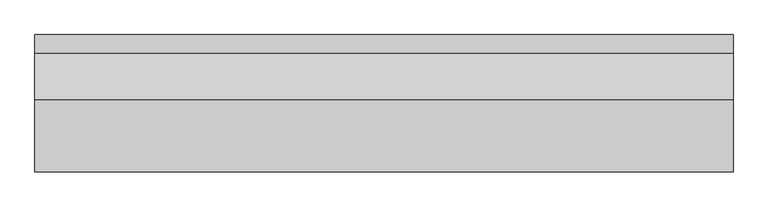
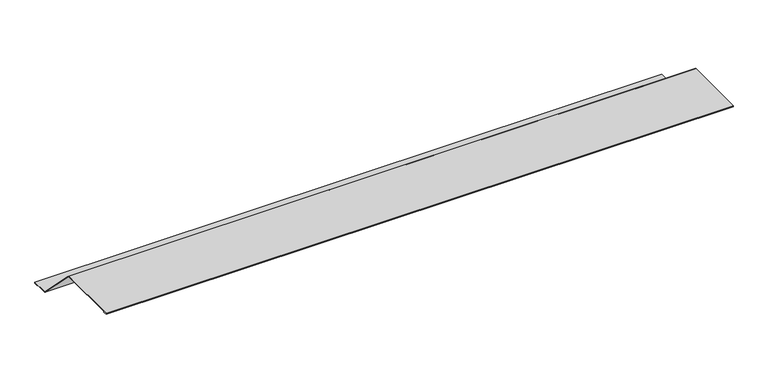
"""IFC4 building model written with IfcOpenShell, lengths in millimetres: proxy geometry."""

from ifc_helpers import new_model, si_unit, origin, place, context, project, spatial, faceted_brep, source, transform, mapped, element, save


def generic_models_e7852b16(model_context):
    return source(origin(), model_context, "Body", "Brep", [
        faceted_brep([(0.0, 80.0, 0.0), (0.0, 78.5857864, 0.0), (0.0, 74.5857864, 4.0), (0.0, -79.0, 4.0), (0.0, -79.0, 3.0), (0.0, -70.0, 3.0), (0.0, -70.0, 2.0), (0.0, -80.0, 2.0), (0.0, -80.0, 5.0), (0.0, 75.0, 5.0), (0.0, 175.0, -95.0), (0.0, 215.0, -95.0), (0.0, 215.0, -98.0), (0.0, 205.0, -98.0), (0.0, 205.0, -97.0), (0.0, 214.0, -97.0), (0.0, 214.0, -96.0), (0.0, 174.5857864, -96.0), (1500.0, 78.5857864, 0.0), (1500.0, 80.0, 0.0), (1500.0, 75.0, 5.0), (1500.0, -80.0, 5.0), (1500.0, -80.0, 2.0), (1500.0, -70.0, 2.0), (1500.0, -70.0, 3.0), (1500.0, -79.0, 3.0), (1500.0, -79.0, 4.0), (1500.0, 74.5857864, 4.0), (1500.0, 174.5857864, -96.0), (1500.0, 214.0, -96.0), (1500.0, 214.0, -97.0), (1500.0, 205.0, -97.0), (1500.0, 205.0, -98.0), (1500.0, 215.0, -98.0), (1500.0, 215.0, -95.0), (1500.0, 175.0, -95.0)], [[[0, 1, 2, 3, 4, 5, 6, 7, 8, 9]], [[1, 0, 10, 11, 12, 13, 14, 15, 16, 17]], [[18, 19, 20, 21, 22, 23, 24, 25, 26, 27]], [[19, 18, 28, 29, 30, 31, 32, 33, 34, 35]], [[9, 8, 21, 20]], [[0, 9, 20, 19, 35, 10]], [[11, 10, 35, 34]], [[12, 11, 34, 33]], [[13, 12, 33, 32]], [[14, 13, 32, 31]], [[15, 14, 31, 30]], [[16, 15, 30, 29]], [[17, 16, 29, 28]], [[2, 1, 17, 28, 18, 27]], [[3, 2, 27, 26]], [[4, 3, 26, 25]], [[5, 4, 25, 24]], [[6, 5, 24, 23]], [[7, 6, 23, 22]], [[8, 7, 22, 21]]]),
    ])


if __name__ == "__main__":
    model = new_model("IFC4")
    model_context = context("Model", 3, world=origin())
    ifc_project = project(units=[si_unit("LENGTHUNIT", "METRE", prefix="MILLI")], contexts=[model_context])
    site = spatial("IfcSite", under=ifc_project)
    building = spatial("IfcBuilding", under=site)
    placement = place(None, origin())
    generic_models_shape = generic_models_e7852b16(model_context)
    element("IfcBuildingElementProxy", 1, Name="Generic Models", at=placement, inside=building, context=model_context, shape_type="MappedRepresentation", body=[
        mapped(generic_models_shape, transform((0.0, 0.0, 0.0), x_axis=(1.0, 0.0, 0.0), y_axis=(0.0, 1.0, 0.0), z_axis=(0.0, 0.0, 1.0))),
    ])
    save(model, "model.ifc")
